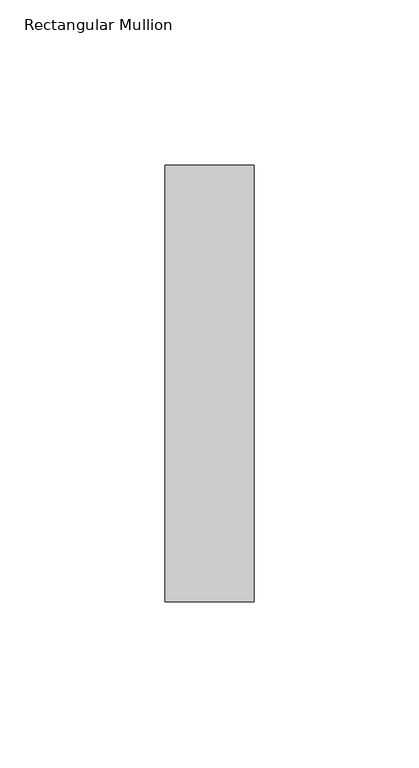
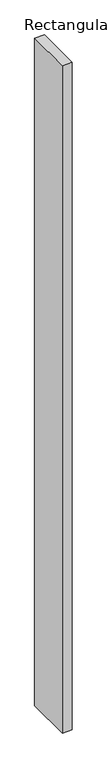
"""IFC4 building model written with IfcOpenShell, lengths in millimetres: member geometry, Rectangular Mullion."""

from ifc_helpers import new_model, si_unit, frame, origin, place, context, project, spatial, polyline, outline, extrude, source, transform, mapped, element, save


def rectangular_mullion_95c67266(model_context):
    return source(origin(), model_context, "Body", "SweptSolid", [
        extrude(outline(polyline([(0.0, 66.1), (0.0, -66.1), (-27.0, -66.1), (-27.0, 66.1), (0.0, 66.1)])), frame((0.0, 0.0, -1946.0), z_axis=(0.0, 0.0, 1.0), x_axis=(1.0, 0.0, 0.0)), (0.0, 0.0, 1.0), 1946.0),
    ])


if __name__ == "__main__":
    model = new_model("IFC4")
    model_context = context("Model", 3, world=origin())
    ifc_project = project(units=[si_unit("LENGTHUNIT", "METRE", prefix="MILLI")], contexts=[model_context])
    site = spatial("IfcSite", under=ifc_project)
    building = spatial("IfcBuilding", under=site)
    placement = place(None, origin())
    rectangular_mullion_shape = rectangular_mullion_95c67266(model_context)
    element("IfcMember", 1, ObjectType="Rectangular Mullion", at=placement, inside=building, context=model_context, shape_type="MappedRepresentation", body=[
        mapped(rectangular_mullion_shape, transform((0.0, 0.0, 0.0), x_axis=(1.0, 0.0, 0.0), y_axis=(0.0, 1.0, 0.0), z_axis=(0.0, 0.0, 1.0))),
    ])
    save(model, "model.ifc")
